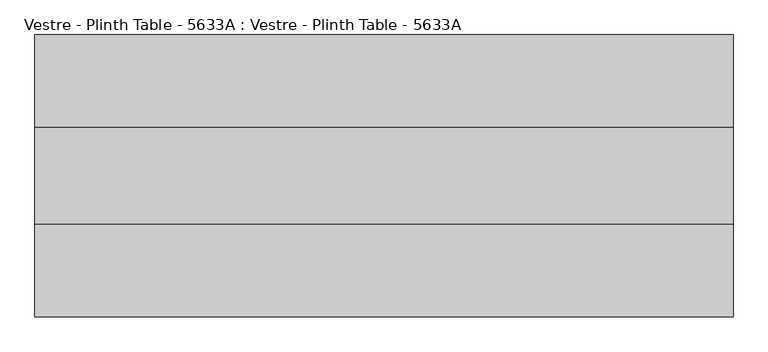
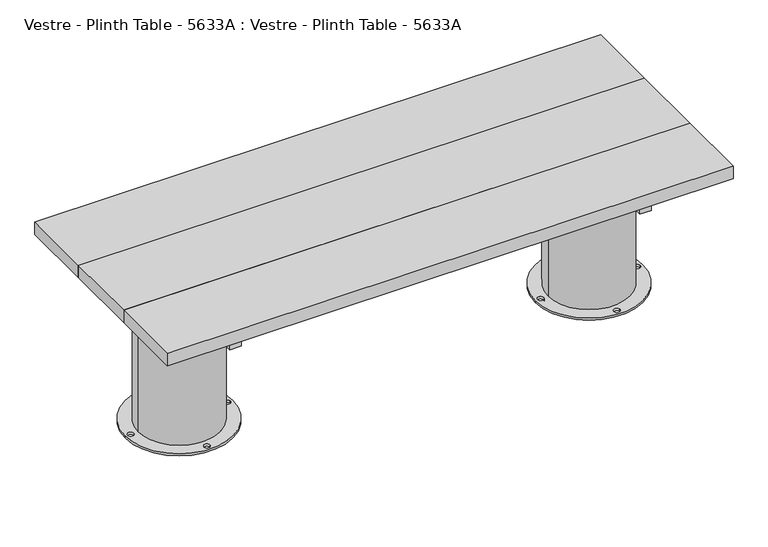
"""IFC4 building model written with IfcOpenShell, lengths in millimetres: furniture geometry, Vestre - Plinth Table - 5633A : Vestre - Plinth Table - 5633A."""

from ifc_helpers import new_model, si_unit, frame, origin, place, context, project, spatial, polyline, circle_curve, outline, extrude, source, transform, mapped, element, save
from ifc_brep_helpers import plane_surface, cylinder_surface, revolved_surface, advanced_brep


def vestre_plinth_table_5633a_vestre_plinth_table_5633a_e1b174f5(model_context):
    return source(origin(), model_context, "Body", "SolidModel", [
        extrude(outline(polyline([(565.4994536, -483.0002308), (535.4811401, -483.0002308), (535.4811401, 43.000233), (565.4994536, 43.000233), (565.4994536, -483.0002308)])), frame((0.0, 0.0, 364.9999847), z_axis=(0.0, 0.0, 1.0), x_axis=(1.0, 0.0, 0.0)), (0.0, 0.0, 1.0), 50.0),
        extrude(outline(polyline([(760.0005464, -114.9999989), (760.0005464, -324.9999989), (-760.0005464, -324.9999989), (-760.0005464, -114.9999989), (760.0005464, -114.9999989)])), frame((0.0, 0.0, 414.9999847), z_axis=(0.0, 0.0, 1.0), x_axis=(1.0, 0.0, 0.0)), (0.0, 0.0, 1.0), 35.0000153),
        extrude(outline(polyline([(538.5005464, -202.4998463), (538.5005464, -237.5001515), (-538.5005464, -237.5001515), (-538.5005464, -202.4998463), (538.5005464, -202.4998463)])), frame((0.0, 0.0, 274.9999847), z_axis=(0.0, 0.0, 1.0), x_axis=(1.0, 0.0, 0.0)), (0.0, 0.0, 1.0), 90.0),
        extrude(outline(polyline([(760.0005464, -324.9999989), (760.0005464, -527.5002308), (-760.0005464, -527.5002308), (-760.0005464, -324.9999989), (760.0005464, -324.9999989)])), frame((0.0, 0.0, 414.9999847), z_axis=(0.0, 0.0, 1.0), x_axis=(1.0, 0.0, 0.0)), (0.0, 0.0, 1.0), 35.0000153),
        extrude(outline(polyline([(760.0005464, 87.500233), (760.0005464, -114.9999989), (-760.0005464, -114.9999989), (-760.0005464, 87.500233), (760.0005464, 87.500233)])), frame((0.0, 0.0, 414.9999847), z_axis=(0.0, 0.0, 1.0), x_axis=(1.0, 0.0, 0.0)), (0.0, 0.0, 1.0), 35.0000153),
        extrude(outline(polyline([(-535.4811401, -483.0002308), (-565.4994536, -483.0002308), (-565.4994536, 43.000233), (-535.4811401, 43.000233), (-535.4811401, -483.0002308)])), frame((0.0, 0.0, 364.9999847), z_axis=(0.0, 0.0, 1.0), x_axis=(1.0, 0.0, 0.0)), (0.0, 0.0, 1.0), 50.0),
        advanced_brep(
        [(-660.0830351, -219.9999989, 364.9999847), (-442.3211565, -237.5001515, 364.9999847), (-538.5005464, -237.5001515, 364.9999847), (-538.5005464, -202.4998463, 364.9999847), (-442.3211565, -202.4998463, 364.9999847), (-695.0290119, -219.9999989, 0.0), (-405.9688024, -219.9999989, 0.0), (-688.5005464, -219.9999989, 0.0), (-672.5005464, -219.9999989, 0.0), (-558.5005464, -90.0001458, 0.0), (-542.5005464, -90.0001458, 0.0), (-412.497268, -219.9999989, 0.0), (-428.497268, -219.9999989, 0.0), (-558.5005464, -349.9998521, 0.0), (-542.5005464, -349.9998521, 0.0), (-660.0830351, -219.9999989, 5.8600001), (-440.9147793, -219.9999989, 5.8600001), (-440.9147793, -219.9999989, 274.9999847), (-442.3211565, -237.5001515, 274.9999847), (-442.3211565, -202.4998463, 274.9999847), (-695.0290119, -219.9999989, 5.8600001), (-405.9688024, -219.9999989, 5.8600001), (-688.5005464, -219.9999989, 5.8600001), (-672.5005464, -219.9999989, 5.8600001), (-558.5005464, -90.0001458, 5.8600001), (-542.5005464, -90.0001458, 5.8600001), (-412.497268, -219.9999989, 5.8600001), (-428.497268, -219.9999989, 5.8600001), (-558.5005464, -349.9998521, 5.8600001), (-542.5005464, -349.9998521, 5.8600001), (-538.5005464, -237.5001515, 274.9999847), (-538.5005464, -202.4998463, 274.9999847)],
        [
            (0, 1, circle_curve(frame((-550.4989072, -219.9999989, 364.9999847), z_axis=(0.0, 0.0, 1.0), x_axis=(1.0, 0.0, 0.0)), 109.5841279)),
            (1, 2),
            (2, 3),
            (3, 4),
            (4, 0, circle_curve(frame((-550.4989072, -219.9999989, 364.9999847), z_axis=(0.0, 0.0, 1.0), x_axis=(1.0, 0.0, 0.0)), 109.5841279)),
            (5, 6, circle_curve(frame((-550.4989072, -219.9999989, 0.0), z_axis=(0.0, 0.0, -1.0), x_axis=(1.0, 0.0, 0.0)), 144.5301047)),
            (6, 5, circle_curve(frame((-550.4989072, -219.9999989, 0.0), z_axis=(0.0, 0.0, -1.0), x_axis=(1.0, 0.0, 0.0)), 144.5301047)),
            (7, 8, circle_curve(frame((-680.5005464, -219.9999989, 0.0), z_axis=(0.0, 0.0, 1.0), x_axis=(1.0, 0.0, 0.0)), 8.0)),
            (8, 7, circle_curve(frame((-680.5005464, -219.9999989, 0.0), z_axis=(0.0, 0.0, 1.0), x_axis=(1.0, 0.0, 0.0)), 8.0)),
            (9, 10, circle_curve(frame((-550.5005464, -90.0001458, 0.0), z_axis=(0.0, 0.0, 1.0), x_axis=(1.0, 0.0, 0.0)), 8.0)),
            (10, 9, circle_curve(frame((-550.5005464, -90.0001458, 0.0), z_axis=(0.0, 0.0, 1.0), x_axis=(1.0, 0.0, 0.0)), 8.0)),
            (11, 12, circle_curve(frame((-420.497268, -219.9999989, 0.0), z_axis=(0.0, 0.0, 1.0), x_axis=(-1.0, 0.0, 0.0)), 8.0)),
            (12, 11, circle_curve(frame((-420.497268, -219.9999989, 0.0), z_axis=(0.0, 0.0, 1.0), x_axis=(-1.0, 0.0, 0.0)), 8.0)),
            (13, 14, circle_curve(frame((-550.5005464, -349.9998521, 0.0), z_axis=(0.0, 0.0, 1.0), x_axis=(1.0, 0.0, 0.0)), 8.0)),
            (14, 13, circle_curve(frame((-550.5005464, -349.9998521, 0.0), z_axis=(0.0, 0.0, 1.0), x_axis=(1.0, 0.0, 0.0)), 8.0)),
            (0, 15),
            (15, 16, circle_curve(frame((-550.4989072, -219.9999989, 5.8600001), z_axis=(0.0, 0.0, 1.0), x_axis=(1.0, 0.0, 0.0)), 109.5841279)),
            (16, 17),
            (17, 18, circle_curve(frame((-550.4989072, -219.9999989, 274.9999847), z_axis=(0.0, 0.0, -1.0), x_axis=(1.0, 0.0, 0.0)), 109.5841279)),
            (18, 1),
            (4, 19),
            (19, 17, circle_curve(frame((-550.4989072, -219.9999989, 274.9999847), z_axis=(0.0, 0.0, -1.0), x_axis=(1.0, 0.0, 0.0)), 109.5841279)),
            (16, 15, circle_curve(frame((-550.4989072, -219.9999989, 5.8600001), z_axis=(0.0, 0.0, 1.0), x_axis=(1.0, 0.0, 0.0)), 109.5841279)),
            (20, 21, circle_curve(frame((-550.4989072, -219.9999989, 5.8600001), z_axis=(0.0, 0.0, 1.0), x_axis=(1.0, 0.0, 0.0)), 144.5301047)),
            (21, 20, circle_curve(frame((-550.4989072, -219.9999989, 5.8600001), z_axis=(0.0, 0.0, 1.0), x_axis=(1.0, 0.0, 0.0)), 144.5301047)),
            (22, 23, circle_curve(frame((-680.5005464, -219.9999989, 5.8600001), z_axis=(0.0, 0.0, -1.0), x_axis=(1.0, 0.0, 0.0)), 8.0)),
            (23, 22, circle_curve(frame((-680.5005464, -219.9999989, 5.8600001), z_axis=(0.0, 0.0, -1.0), x_axis=(1.0, 0.0, 0.0)), 8.0)),
            (24, 25, circle_curve(frame((-550.5005464, -90.0001458, 5.8600001), z_axis=(0.0, 0.0, -1.0), x_axis=(1.0, 0.0, 0.0)), 8.0)),
            (25, 24, circle_curve(frame((-550.5005464, -90.0001458, 5.8600001), z_axis=(0.0, 0.0, -1.0), x_axis=(1.0, 0.0, 0.0)), 8.0)),
            (26, 27, circle_curve(frame((-420.497268, -219.9999989, 5.8600001), z_axis=(0.0, 0.0, -1.0), x_axis=(-1.0, 0.0, 0.0)), 8.0)),
            (27, 26, circle_curve(frame((-420.497268, -219.9999989, 5.8600001), z_axis=(0.0, 0.0, -1.0), x_axis=(-1.0, 0.0, 0.0)), 8.0)),
            (28, 29, circle_curve(frame((-550.5005464, -349.9998521, 5.8600001), z_axis=(0.0, 0.0, -1.0), x_axis=(1.0, 0.0, 0.0)), 8.0)),
            (29, 28, circle_curve(frame((-550.5005464, -349.9998521, 5.8600001), z_axis=(0.0, 0.0, -1.0), x_axis=(1.0, 0.0, 0.0)), 8.0)),
            (20, 5),
            (6, 21),
            (22, 7),
            (8, 23),
            (24, 9),
            (10, 25),
            (26, 11),
            (12, 27),
            (28, 13),
            (14, 29),
            (30, 31),
            (31, 3),
            (2, 30),
            (30, 18),
            (19, 31),
        ],
        [
            plane_surface(frame((-440.9147793, -219.9999989, 364.9999847), z_axis=(0.0, 0.0, 1.0), x_axis=(0.0, 1.0, 0.0))),
            plane_surface(frame((-440.9147793, -219.9999989, 0.0), z_axis=(0.0, 0.0, -1.0), x_axis=(0.0, -1.0, 0.0))),
            cylinder_surface(frame((-550.4989072, -219.9999989, 0.0), z_axis=(0.0, 0.0, 1.0), x_axis=(1.0, 0.0, 0.0)), 109.5841279),
            plane_surface(frame((-405.9688024, -219.9999989, 5.8600001), z_axis=(0.0, 0.0, 1.0), x_axis=(0.0, 1.0, 0.0))),
            cylinder_surface(frame((-550.4989072, -219.9999989, 0.0), z_axis=(0.0, 0.0, 1.0), x_axis=(1.0, 0.0, 0.0)), 144.5301047),
            revolved_surface(polyline([(-672.5005464, -219.9999989, 0.0), (-672.5005464, -219.9999989, 5.8600001)]), (-680.5005464, -219.9999989, 0.0), (0.0, 0.0, -1.0)),
            revolved_surface(polyline([(-542.5005464, -90.0001458, 0.0), (-542.5005464, -90.0001458, 5.8600001)]), (-550.5005464, -90.0001458, 0.0), (0.0, 0.0, -1.0)),
            revolved_surface(polyline([(-428.497268, -219.9999989, 0.0), (-428.497268, -219.9999989, 5.8600001)]), (-420.497268, -219.9999989, 0.0), (0.0, 0.0, -1.0)),
            revolved_surface(polyline([(-542.5005464, -349.9998521, 0.0), (-542.5005464, -349.9998521, 5.8600001)]), (-550.5005464, -349.9998521, 0.0), (0.0, 0.0, -1.0)),
            plane_surface(frame((-538.5005464, -202.4998463, 274.9999847), z_axis=(1.0, 0.0, 0.0), x_axis=(0.0, -1.0, 0.0))),
            plane_surface(frame((-420.0, -237.5001515, 274.9999847), z_axis=(0.0, 0.0, 1.0), x_axis=(-1.0, 0.0, 0.0))),
            plane_surface(frame((-420.0, -202.4998463, 274.9999847), z_axis=(0.0, -1.0, 0.0), x_axis=(-1.0, 0.0, 0.0))),
            plane_surface(frame((-420.0, -237.5001515, 364.9999847), z_axis=(0.0, 1.0, 0.0), x_axis=(-1.0, 0.0, 0.0))),
        ],
        [
            (0, [[1, 2, 3, 4, 5]]),
            (1, [[6, 7], [8, 9], [10, 11], [12, 13], [14, 15]]),
            (2, [[16, 17, 18, 19, 20, -1]]),
            (2, [[-16, -5, 21, 22, -18, 23]]),
            (3, [[24, 25], [-17, -23], [26, 27], [28, 29], [30, 31], [32, 33]]),
            (4, [[-24, 34, -7, 35]]),
            (4, [[-25, -35, -6, -34]]),
            (5, [[-26, 36, -9, 37]]),
            (5, [[-27, -37, -8, -36]]),
            (6, [[-28, 38, -11, 39]]),
            (6, [[-29, -39, -10, -38]]),
            (7, [[-30, 40, -13, 41]]),
            (7, [[-31, -41, -12, -40]]),
            (8, [[-32, 42, -15, 43]]),
            (8, [[-33, -43, -14, -42]]),
            (9, [[44, 45, -3, 46]]),
            (10, [[-44, 47, -19, -22, 48]]),
            (11, [[-45, -48, -21, -4]]),
            (12, [[-46, -2, -20, -47]]),
        ],
    ),
        advanced_brep(
        [(695.0290119, -219.9999989, 0.0), (405.9688024, -219.9999989, 0.0), (688.5005464, -219.9999989, 0.0), (672.5005464, -219.9999989, 0.0), (558.5005464, -90.0001458, 0.0), (542.5005464, -90.0001458, 0.0), (412.497268, -219.9999989, 0.0), (428.497268, -219.9999989, 0.0), (558.5005464, -349.9998521, 0.0), (542.5005464, -349.9998521, 0.0), (695.0290119, -219.9999989, 5.8600001), (405.9688024, -219.9999989, 5.8600001), (688.5005464, -219.9999989, 5.8600001), (672.5005464, -219.9999989, 5.8600001), (558.5005464, -90.0001458, 5.8600001), (542.5005464, -90.0001458, 5.8600001), (412.497268, -219.9999989, 5.8600001), (428.497268, -219.9999989, 5.8600001), (558.5005464, -349.9998521, 5.8600001), (542.5005464, -349.9998521, 5.8600001), (660.0830351, -219.9999989, 5.8600001), (440.9147793, -219.9999989, 5.8600001), (660.0830351, -219.9999989, 364.9999847), (442.3211565, -202.4998463, 364.9999847), (538.5005464, -202.4998463, 364.9999847), (538.5005464, -237.5001515, 364.9999847), (442.3211565, -237.5001515, 364.9999847), (442.3211565, -237.5001515, 274.9999847), (440.9147793, -219.9999989, 274.9999847), (442.3211565, -202.4998463, 274.9999847), (538.5005464, -237.5001515, 274.9999847), (538.5005464, -202.4998463, 274.9999847)],
        [
            (0, 1, circle_curve(frame((550.4989072, -219.9999989, 0.0), z_axis=(0.0, 0.0, -1.0), x_axis=(-1.0, 0.0, 0.0)), 144.5301047)),
            (1, 0, circle_curve(frame((550.4989072, -219.9999989, 0.0), z_axis=(0.0, 0.0, -1.0), x_axis=(-1.0, 0.0, 0.0)), 144.5301047)),
            (2, 3, circle_curve(frame((680.5005464, -219.9999989, 0.0), z_axis=(0.0, 0.0, 1.0), x_axis=(-1.0, 0.0, 0.0)), 8.0)),
            (3, 2, circle_curve(frame((680.5005464, -219.9999989, 0.0), z_axis=(0.0, 0.0, 1.0), x_axis=(-1.0, 0.0, 0.0)), 8.0)),
            (4, 5, circle_curve(frame((550.5005464, -90.0001458, 0.0), z_axis=(0.0, 0.0, 1.0), x_axis=(-1.0, 0.0, 0.0)), 8.0)),
            (5, 4, circle_curve(frame((550.5005464, -90.0001458, 0.0), z_axis=(0.0, 0.0, 1.0), x_axis=(-1.0, 0.0, 0.0)), 8.0)),
            (6, 7, circle_curve(frame((420.497268, -219.9999989, 0.0), z_axis=(0.0, 0.0, 1.0), x_axis=(1.0, 0.0, 0.0)), 8.0)),
            (7, 6, circle_curve(frame((420.497268, -219.9999989, 0.0), z_axis=(0.0, 0.0, 1.0), x_axis=(1.0, 0.0, 0.0)), 8.0)),
            (8, 9, circle_curve(frame((550.5005464, -349.9998521, 0.0), z_axis=(0.0, 0.0, 1.0), x_axis=(-1.0, 0.0, 0.0)), 8.0)),
            (9, 8, circle_curve(frame((550.5005464, -349.9998521, 0.0), z_axis=(0.0, 0.0, 1.0), x_axis=(-1.0, 0.0, 0.0)), 8.0)),
            (10, 11, circle_curve(frame((550.4989072, -219.9999989, 5.8600001), z_axis=(0.0, 0.0, 1.0), x_axis=(-1.0, 0.0, 0.0)), 144.5301047)),
            (11, 10, circle_curve(frame((550.4989072, -219.9999989, 5.8600001), z_axis=(0.0, 0.0, 1.0), x_axis=(-1.0, 0.0, 0.0)), 144.5301047)),
            (12, 13, circle_curve(frame((680.5005464, -219.9999989, 5.8600001), z_axis=(0.0, 0.0, -1.0), x_axis=(-1.0, 0.0, 0.0)), 8.0)),
            (13, 12, circle_curve(frame((680.5005464, -219.9999989, 5.8600001), z_axis=(0.0, 0.0, -1.0), x_axis=(-1.0, 0.0, 0.0)), 8.0)),
            (14, 15, circle_curve(frame((550.5005464, -90.0001458, 5.8600001), z_axis=(0.0, 0.0, -1.0), x_axis=(-1.0, 0.0, 0.0)), 8.0)),
            (15, 14, circle_curve(frame((550.5005464, -90.0001458, 5.8600001), z_axis=(0.0, 0.0, -1.0), x_axis=(-1.0, 0.0, 0.0)), 8.0)),
            (16, 17, circle_curve(frame((420.497268, -219.9999989, 5.8600001), z_axis=(0.0, 0.0, -1.0), x_axis=(1.0, 0.0, 0.0)), 8.0)),
            (17, 16, circle_curve(frame((420.497268, -219.9999989, 5.8600001), z_axis=(0.0, 0.0, -1.0), x_axis=(1.0, 0.0, 0.0)), 8.0)),
            (18, 19, circle_curve(frame((550.5005464, -349.9998521, 5.8600001), z_axis=(0.0, 0.0, -1.0), x_axis=(-1.0, 0.0, 0.0)), 8.0)),
            (19, 18, circle_curve(frame((550.5005464, -349.9998521, 5.8600001), z_axis=(0.0, 0.0, -1.0), x_axis=(-1.0, 0.0, 0.0)), 8.0)),
            (20, 21, circle_curve(frame((550.4989072, -219.9999989, 5.8600001), z_axis=(0.0, 0.0, -1.0), x_axis=(-1.0, 0.0, 0.0)), 109.5841279)),
            (21, 20, circle_curve(frame((550.4989072, -219.9999989, 5.8600001), z_axis=(0.0, 0.0, -1.0), x_axis=(-1.0, 0.0, 0.0)), 109.5841279)),
            (10, 0),
            (1, 11),
            (12, 2),
            (3, 13),
            (14, 4),
            (5, 15),
            (16, 6),
            (7, 17),
            (18, 8),
            (9, 19),
            (22, 23, circle_curve(frame((550.4989072, -219.9999989, 364.9999847), z_axis=(0.0, 0.0, 1.0), x_axis=(-1.0, 0.0, 0.0)), 109.5841279)),
            (23, 24),
            (24, 25),
            (25, 26),
            (26, 22, circle_curve(frame((550.4989072, -219.9999989, 364.9999847), z_axis=(0.0, 0.0, 1.0), x_axis=(-1.0, 0.0, 0.0)), 109.5841279)),
            (20, 22),
            (26, 27),
            (27, 28, circle_curve(frame((550.4989072, -219.9999989, 274.9999847), z_axis=(0.0, 0.0, -1.0), x_axis=(-1.0, 0.0, 0.0)), 109.5841279)),
            (28, 21),
            (28, 29, circle_curve(frame((550.4989072, -219.9999989, 274.9999847), z_axis=(0.0, 0.0, -1.0), x_axis=(-1.0, 0.0, 0.0)), 109.5841279)),
            (29, 23),
            (30, 25),
            (24, 31),
            (31, 30),
            (31, 29),
            (27, 30),
        ],
        [
            plane_surface(frame((-440.9147793, -219.9999989, 0.0), z_axis=(0.0, 0.0, -1.0), x_axis=(0.0, -1.0, 0.0))),
            plane_surface(frame((-405.9688024, -219.9999989, 5.8600001), z_axis=(0.0, 0.0, 1.0), x_axis=(0.0, 1.0, 0.0))),
            cylinder_surface(frame((550.4989072, -219.9999989, 0.0), z_axis=(0.0, 0.0, 1.0), x_axis=(-1.0, 0.0, 0.0)), 144.5301047),
            revolved_surface(polyline([(672.5005464, -219.9999989, 0.0), (672.5005464, -219.9999989, 5.8600001)]), (680.5005464, -219.9999989, 0.0), (0.0, 0.0, -1.0)),
            revolved_surface(polyline([(542.5005464, -90.0001458, 0.0), (542.5005464, -90.0001458, 5.8600001)]), (550.5005464, -90.0001458, 0.0), (0.0, 0.0, -1.0)),
            revolved_surface(polyline([(428.497268, -219.9999989, 0.0), (428.497268, -219.9999989, 5.8600001)]), (420.497268, -219.9999989, 0.0), (0.0, 0.0, -1.0)),
            revolved_surface(polyline([(542.5005464, -349.9998521, 0.0), (542.5005464, -349.9998521, 5.8600001)]), (550.5005464, -349.9998521, 0.0), (0.0, 0.0, -1.0)),
            plane_surface(frame((440.9147793, -219.9999989, 364.9999847), z_axis=(0.0, 0.0, 1.0), x_axis=(0.0, -1.0, 0.0))),
            cylinder_surface(frame((550.4989072, -219.9999989, 0.0), z_axis=(0.0, 0.0, 1.0), x_axis=(-1.0, 0.0, 0.0)), 109.5841279),
            plane_surface(frame((538.5005464, -237.5001515, 274.9999847), z_axis=(-1.0, 0.0, 0.0), x_axis=(0.0, 0.0, -1.0))),
            plane_surface(frame((420.0, -202.4998463, 274.9999847), z_axis=(0.0, 0.0, 1.0), x_axis=(1.0, 0.0, 0.0))),
            plane_surface(frame((420.0, -202.4998463, 364.9999847), z_axis=(0.0, -1.0, 0.0), x_axis=(1.0, 0.0, 0.0))),
            plane_surface(frame((420.0, -237.5001515, 274.9999847), z_axis=(0.0, 1.0, 0.0), x_axis=(1.0, 0.0, 0.0))),
        ],
        [
            (0, [[1, 2], [3, 4], [5, 6], [7, 8], [9, 10]]),
            (1, [[11, 12], [13, 14], [15, 16], [17, 18], [19, 20], [21, 22]]),
            (2, [[-11, 23, -2, 24]]),
            (2, [[-12, -24, -1, -23]]),
            (3, [[-13, 25, -4, 26]]),
            (3, [[-14, -26, -3, -25]]),
            (4, [[-15, 27, -6, 28]]),
            (4, [[-16, -28, -5, -27]]),
            (5, [[-17, 29, -8, 30]]),
            (5, [[-18, -30, -7, -29]]),
            (6, [[-19, 31, -10, 32]]),
            (6, [[-20, -32, -9, -31]]),
            (7, [[33, 34, 35, 36, 37]]),
            (8, [[38, -37, 39, 40, 41, -21]]),
            (8, [[-38, -22, -41, 42, 43, -33]]),
            (9, [[44, -35, 45, 46]]),
            (10, [[-46, 47, -42, -40, 48]]),
            (11, [[-45, -34, -43, -47]]),
            (12, [[-44, -48, -39, -36]]),
        ],
    ),
    ])


if __name__ == "__main__":
    model = new_model("IFC4")
    model_context = context("Model", 3, world=origin())
    ifc_project = project(units=[si_unit("LENGTHUNIT", "METRE", prefix="MILLI")], contexts=[model_context])
    site = spatial("IfcSite", under=ifc_project)
    building = spatial("IfcBuilding", under=site)
    placement = place(None, origin())
    vestre_plinth_table_5633a_vestre_plinth_table_5633a_shape = vestre_plinth_table_5633a_vestre_plinth_table_5633a_e1b174f5(model_context)
    element("IfcFurniture", 1, ObjectType="Vestre - Plinth Table - 5633A : Vestre - Plinth Table - 5633A", at=placement, inside=building, context=model_context, shape_type="MappedRepresentation", body=[
        mapped(vestre_plinth_table_5633a_vestre_plinth_table_5633a_shape, transform((0.0, 0.0, 0.0), x_axis=(1.0, 0.0, 0.0), y_axis=(0.0, 1.0, 0.0), z_axis=(0.0, 0.0, 1.0))),
    ])
    save(model, "model.ifc")
